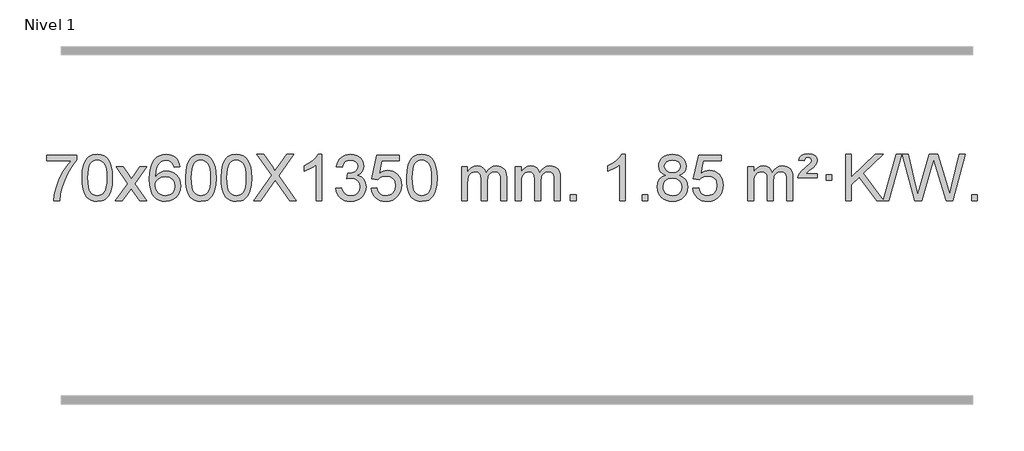
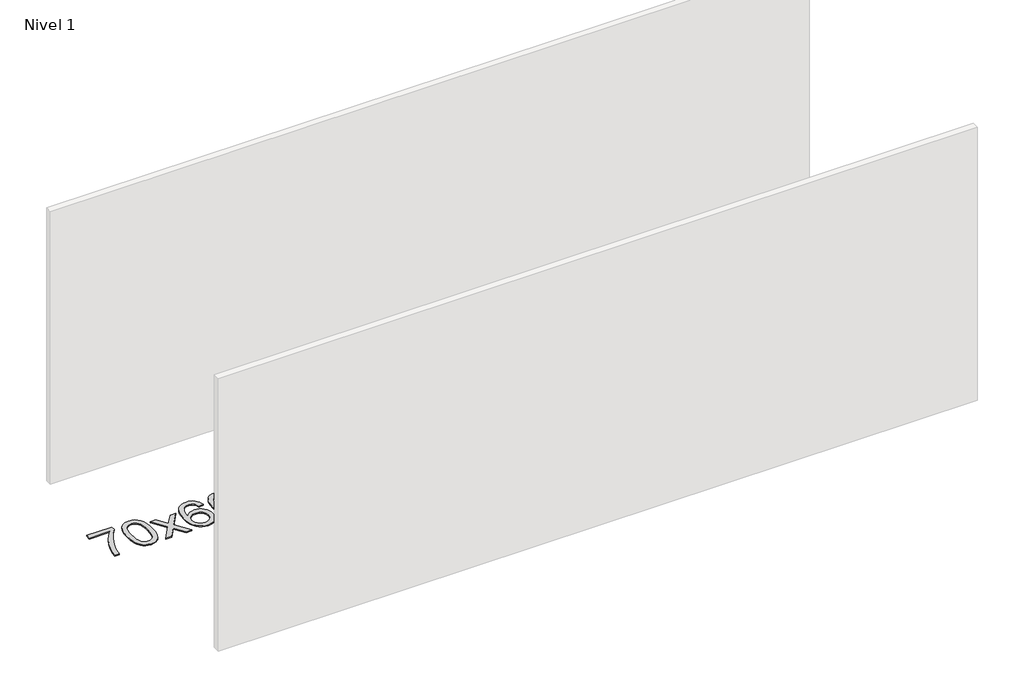
# One storey, part 20 of 25: 1 proxy.
"""IFC4 building model written with IfcOpenShell, lengths in millimetres."""

from ifc_helpers import new_model, si_unit, origin, origin_with_axes, place, context, project, spatial, polyline, outline, extrude, element, save

model = new_model("IFC4")

# Units and contexts
model_context = context("Model", 3, world=origin())
ifc_project = project(units=[si_unit("LENGTHUNIT", "METRE", prefix="MILLI")], contexts=[model_context])

# Site, building, storey
site = spatial("IfcSite", under=ifc_project)
building = spatial("IfcBuilding", under=site)
storey = spatial("IfcBuildingStorey", under=building, Name="Nivel 1", Elevation=0.0)

# Proxy
placement = place(None, origin())
element("IfcBuildingElementProxy", 1, Name="Texto de modelo 1", ObjectType="Texto de modelo 1", at=placement, inside=storey, context=model_context, shape_type="SweptSolid", body=[
    extrude(outline(polyline([(-357.0823308, -9065.2608869), (-357.0823308, -9015.0327318), (-93.3845166, -9015.0327318), (-93.3845166, -9055.646904), (-130.9697938, -9103.214046), (-168.187189, -9163.7061088), (-201.0145257, -9231.6048623), (-225.4296274, -9301.3920768), (-237.398055, -9353.6067947), (-244.0689818, -9410.579453), (-294.2971369, -9410.579453), (-288.8647461, -9358.8061935), (-274.3334073, -9297.2717985), (-251.095528, -9232.0463207), (-219.5435155, -9169.1998132), (-182.706265, -9112.3865704), (-143.6126717, -9065.2608869), (-357.0823308, -9065.2608869)])), origin_with_axes(), (0.0, 0.0, 1.0), 10.0),
    extrude(outline(polyline([(-49.4348809, -9212.9041943), (-45.7437982, -9148.5861588), (-34.6705502, -9097.2911459), (-16.3255014, -9058.2343407), (-4.4674384, -9043.0009605), (9.1809836, -9030.6309284), (24.6657499, -9021.0598651), (42.0328458, -9014.2233914), (82.4140261, -9008.7542124), (113.3651647, -9011.991574), (141.0789416, -9021.7036586), (164.2555073, -9037.5103217), (181.595012, -9059.0314184), (194.6916111, -9086.0830078), (205.1394597, -9118.4811488), (211.9820648, -9159.6226186), (214.2629332, -9212.9041943), (210.6086387, -9276.8543477), (199.6457553, -9328.0267333), (181.411071, -9367.1203266), (169.5805992, -9382.3996922), (155.9413742, -9394.8341036), (140.4382138, -9404.4695462), (123.0159357, -9411.3520052), (82.4140261, -9416.8579724), (54.7493001, -9414.4667394), (30.2238338, -9407.2930405), (8.8376271, -9395.3368757), (-9.4093199, -9378.5982449), (-26.9205028, -9348.3399508), (-39.4284907, -9310.6381776), (-46.9332834, -9265.4929255), (-49.4348809, -9212.9041943)]), holes=[polyline([(0.7932741, -9212.8060924), (2.2648021, -9256.4706195), (6.6793861, -9291.8148822), (14.037026, -9318.8388804), (24.3377218, -9337.5426142), (36.7966587, -9350.2682656), (50.6290218, -9359.3580165), (65.8348109, -9364.8118671), (82.4140261, -9366.6298173), (98.9932414, -9364.8057357), (114.1990305, -9359.3334911), (128.0313935, -9350.2130833), (140.4903304, -9337.4445124), (150.7910263, -9318.7101217), (158.1486662, -9291.6922549), (162.5632502, -9256.3909118), (164.0347781, -9212.8060924), (162.6123011, -9170.2973278), (158.3448699, -9135.5753989), (151.2324847, -9108.6403055), (141.2751454, -9089.4920476), (129.0246749, -9076.1440625), (115.0328964, -9066.6097875), (99.2998097, -9060.8892225), (81.825415, -9058.9823675), (65.3320388, -9060.6623619), (50.3837671, -9065.7023452), (36.9805997, -9074.1023175), (25.1225368, -9085.8622786), (14.4784844, -9106.708925), (6.8755898, -9134.8151094), (2.3138531, -9170.1808319), (0.7932741, -9212.8060924)])]), origin_with_axes(), (0.0, 0.0, 1.0), 10.0),
    extrude(outline(polyline([(239.3770108, -9410.579453), (346.7004515, -9262.1513307), (245.6555301, -9115.4890419), (305.8900755, -9115.4890419), (354.6467026, -9186.2204869), (377.5044372, -9219.4770192), (397.321014, -9192.2047007), (452.8466698, -9115.4890419), (513.2774189, -9115.4890419), (407.1312006, -9262.2494325), (509.3533443, -9410.579453), (449.0206971, -9410.579453), (387.4127256, -9321.3067555), (376.229113, -9304.923744), (299.8077598, -9410.579453), (239.3770108, -9410.579453)])), origin_with_axes(), (0.0, 0.0, 1.0), 10.0),
    extrude(outline(polyline([(798.165236, -9115.4890419), (747.9370809, -9121.7675613), (739.843677, -9096.874213), (728.905319, -9079.8780648), (706.1211608, -9064.2062918), (678.5790621, -9058.9823675), (655.2308181, -9062.0235253), (633.2560003, -9071.1469988), (614.3836539, -9090.3627017), (598.9693983, -9116.8134171), (588.5583378, -9154.227016), (584.6955769, -9206.3313693), (604.8432475, -9182.8237098), (628.9885691, -9166.2567573), (655.7826411, -9156.434308), (683.8765628, -9153.1601582), (708.0096217, -9155.398107), (730.2787451, -9162.1119534), (750.6839331, -9173.3016975), (769.2251857, -9188.9673391), (784.6333099, -9208.1769106), (795.6391129, -9229.9984443), (802.2425947, -9254.4319401), (804.4437553, -9281.4773982), (800.2989515, -9317.4439945), (787.8645401, -9350.786366), (768.1705906, -9379.0642287), (742.2471727, -9399.8372987), (711.2715087, -9412.602804), (676.420821, -9416.8579724), (646.4782923, -9414.0375437), (619.4359, -9405.5762579), (595.293644, -9391.4741147), (574.0515245, -9371.7311143), (556.7334796, -9345.5133908), (544.3634475, -9311.9870783), (536.9414282, -9271.1521768), (534.4674218, -9223.0086864), (537.214274, -9169.0342663), (545.4548307, -9122.9693092), (559.1890919, -9084.8138149), (578.4170575, -9054.5677835), (599.2575725, -9034.5243462), (623.4212882, -9020.2076052), (650.9082047, -9011.6175606), (681.7183218, -9008.7542124), (704.8519679, -9010.5261773), (725.7905848, -9015.8420722), (744.5341724, -9024.7018969), (761.0827308, -9037.1056515), (774.9886703, -9052.6364031), (785.8044009, -9070.8772186), (793.5299228, -9091.8280983), (798.165236, -9115.4890419)]), holes=[polyline([(584.6955769, -9280.6925832), (587.6018447, -9302.9494439), (596.3206479, -9324.2007605), (609.8587054, -9342.472233), (627.2227355, -9355.7895612), (648.1797465, -9363.9197533), (672.4967464, -9366.6298173), (705.6429142, -9361.0134855), (719.5580506, -9353.9930708), (731.7012222, -9344.1644901), (741.5512626, -9331.9262824), (748.5870057, -9317.6769865), (754.2156003, -9283.1451299), (748.6605821, -9249.9989621), (741.7168095, -9236.3781312), (731.9955278, -9224.725469), (719.815568, -9215.3904634), (705.4957614, -9208.7226022), (670.4366072, -9203.3883133), (637.3394904, -9208.7226022), (609.6625016, -9224.725469), (598.7394721, -9236.2248471), (590.9373081, -9249.3858254), (586.2560097, -9264.2084042), (584.6955769, -9280.6925832)])]), origin_with_axes(), (0.0, 0.0, 1.0), 10.0),
    extrude(outline(polyline([(848.393391, -9212.9041943), (852.0844737, -9148.5861588), (863.1577218, -9097.2911459), (881.5027706, -9058.2343407), (893.3608336, -9043.0009605), (907.0092556, -9030.6309284), (922.4940219, -9021.0598651), (939.8611178, -9014.2233914), (980.2422981, -9008.7542124), (1011.1934366, -9011.991574), (1038.9072136, -9021.7036586), (1062.0837793, -9037.5103217), (1079.423284, -9059.0314184), (1092.519883, -9086.0830078), (1102.9677317, -9118.4811488), (1109.8103368, -9159.6226186), (1112.0912052, -9212.9041943), (1108.4369107, -9276.8543477), (1097.4740272, -9328.0267333), (1079.239343, -9367.1203266), (1067.4088712, -9382.3996922), (1053.7696462, -9394.8341036), (1038.2664858, -9404.4695462), (1020.8442076, -9411.3520052), (980.2422981, -9416.8579724), (952.5775721, -9414.4667394), (928.0521057, -9407.2930405), (906.6658991, -9395.3368757), (888.4189521, -9378.5982449), (870.9077691, -9348.3399508), (858.3997813, -9310.6381776), (850.8949886, -9265.4929255), (848.393391, -9212.9041943)]), holes=[polyline([(898.6215461, -9212.8060924), (900.0930741, -9256.4706195), (904.507658, -9291.8148822), (911.8652979, -9318.8388804), (922.1659938, -9337.5426142), (934.6249307, -9350.2682656), (948.4572937, -9359.3580165), (963.6630829, -9364.8118671), (980.2422981, -9366.6298173), (996.8215134, -9364.8057357), (1012.0273025, -9359.3334911), (1025.8596655, -9350.2130833), (1038.3186024, -9337.4445124), (1048.6192983, -9318.7101217), (1055.9769382, -9291.6922549), (1060.3915221, -9256.3909118), (1061.8630501, -9212.8060924), (1060.4405731, -9170.2973278), (1056.1731419, -9135.5753989), (1049.0607567, -9108.6403055), (1039.1034173, -9089.4920476), (1026.8529469, -9076.1440625), (1012.8611683, -9066.6097875), (997.1280817, -9060.8892225), (979.6536869, -9058.9823675), (963.1603108, -9060.6623619), (948.2120391, -9065.7023452), (934.8088717, -9074.1023175), (922.9508087, -9085.8622786), (912.3067563, -9106.708925), (904.7038618, -9134.8151094), (900.142125, -9170.1808319), (898.6215461, -9212.8060924)])]), origin_with_axes(), (0.0, 0.0, 1.0), 10.0),
    extrude(outline(polyline([(1156.0408409, -9212.9041943), (1159.7319236, -9148.5861588), (1170.8051716, -9097.2911459), (1189.1502204, -9058.2343407), (1201.0082834, -9043.0009605), (1214.6567054, -9030.6309284), (1230.1414717, -9021.0598651), (1247.5085676, -9014.2233914), (1287.8897479, -9008.7542124), (1318.8408865, -9011.991574), (1346.5546634, -9021.7036586), (1369.7312291, -9037.5103217), (1387.0707338, -9059.0314184), (1400.1673329, -9086.0830078), (1410.6151815, -9118.4811488), (1417.4577866, -9159.6226186), (1419.738655, -9212.9041943), (1416.0843605, -9276.8543477), (1405.1214771, -9328.0267333), (1386.8867928, -9367.1203266), (1375.056321, -9382.3996922), (1361.417096, -9394.8341036), (1345.9139356, -9404.4695462), (1328.4916575, -9411.3520052), (1287.8897479, -9416.8579724), (1260.2250219, -9414.4667394), (1235.6995556, -9407.2930405), (1214.3133489, -9395.3368757), (1196.0664019, -9378.5982449), (1178.555219, -9348.3399508), (1166.0472311, -9310.6381776), (1158.5424384, -9265.4929255), (1156.0408409, -9212.9041943)]), holes=[polyline([(1206.2689959, -9212.8060924), (1207.7405239, -9256.4706195), (1212.1551079, -9291.8148822), (1219.5127478, -9318.8388804), (1229.8134436, -9337.5426142), (1242.2723805, -9350.2682656), (1256.1047436, -9359.3580165), (1271.3105327, -9364.8118671), (1287.8897479, -9366.6298173), (1304.4689632, -9364.8057357), (1319.6747523, -9359.3334911), (1333.5071153, -9350.2130833), (1345.9660522, -9337.4445124), (1356.2667481, -9318.7101217), (1363.624388, -9291.6922549), (1368.038972, -9256.3909118), (1369.5104999, -9212.8060924), (1368.0880229, -9170.2973278), (1363.8205917, -9135.5753989), (1356.7082065, -9108.6403055), (1346.7508672, -9089.4920476), (1334.5003967, -9076.1440625), (1320.5086182, -9066.6097875), (1304.7755315, -9060.8892225), (1287.3011367, -9058.9823675), (1270.8077606, -9060.6623619), (1255.8594889, -9065.7023452), (1242.4563215, -9074.1023175), (1230.5982586, -9085.8622786), (1219.9542062, -9106.708925), (1212.3513116, -9134.8151094), (1207.7895749, -9170.1808319), (1206.2689959, -9212.8060924)])]), origin_with_axes(), (0.0, 0.0, 1.0), 10.0),
    extrude(outline(polyline([(1438.5742132, -9410.579453), (1593.3789567, -9191.6160895), (1463.6882907, -9008.7542124), (1523.8247342, -9008.7542124), (1596.9106239, -9111.761171), (1621.5341921, -9151.884834), (1650.3761405, -9110.8782543), (1722.6772153, -9008.7542124), (1783.8927793, -9008.7542124), (1654.1040114, -9192.3028025), (1809.0068568, -9410.579453), (1748.7723115, -9410.579453), (1645.4710472, -9265.0943866), (1623.9867387, -9234.977114), (1600.5403929, -9268.0374426), (1499.7897772, -9410.579453), (1438.5742132, -9410.579453)])), origin_with_axes(), (0.0, 0.0, 1.0), 10.0),
    extrude(outline(polyline([(2028.7550353, -9410.579453), (1978.5268802, -9410.579453), (1978.5268802, -9097.4382987), (1957.5576065, -9114.3976587), (1930.9474755, -9131.3324932), (1878.0705701, -9156.6918254), (1878.0705701, -9109.2105225), (1917.5197827, -9087.7507395), (1951.69602, -9062.219729), (1978.6372448, -9035.0700378), (1996.3814197, -9008.7542124), (2028.7550353, -9008.7542124), (2028.7550353, -9410.579453)])), origin_with_axes(), (0.0, 0.0, 1.0), 10.0),
    extrude(outline(polyline([(2148.0469036, -9303.8446235), (2198.2750587, -9297.5661041), (2209.519985, -9329.1303793), (2225.9888356, -9350.4430095), (2248.490951, -9362.5831154), (2277.8356715, -9366.6298173), (2312.2694262, -9361.0625364), (2326.5432477, -9354.1034354), (2338.8550318, -9344.3606939), (2355.8511799, -9319.4428201), (2361.5165627, -9289.2274455), (2355.9002309, -9260.5449126), (2339.0512355, -9237.2825078), (2313.5447505, -9221.8682522), (2281.9559498, -9216.730167), (2246.7373802, -9222.2238715), (2252.3291865, -9171.9957164), (2260.3735395, -9172.5843276), (2290.4662867, -9168.979084), (2317.3707232, -9158.1633534), (2328.4439713, -9149.9841103), (2336.3534342, -9139.8673555), (2341.0991119, -9127.8130888), (2342.6810045, -9113.8213102), (2338.0947423, -9092.1285352), (2324.3359557, -9074.5315131), (2303.3421565, -9062.8696539), (2277.0508566, -9058.9823675), (2250.7105057, -9062.9064421), (2229.1771463, -9074.6786659), (2213.4563223, -9094.299039), (2204.5535781, -9121.7675613), (2154.325423, -9115.4890419), (2160.2789799, -9091.5092672), (2169.1142792, -9070.3867093), (2180.8313207, -9052.1213683), (2195.4301046, -9036.713244), (2212.4507782, -9024.4811677), (2231.4334892, -9015.7439703), (2252.3782374, -9010.5016519), (2275.285023, -9008.7542124), (2306.8615609, -9012.2000404), (2335.8629249, -9022.5375245), (2360.3148148, -9038.8469596), (2378.2429307, -9060.2086408), (2389.2426024, -9084.8199463), (2392.9091596, -9110.8782543), (2389.4265434, -9135.1584659), (2378.9786947, -9157.1823347), (2361.7127664, -9175.9443165), (2337.7759112, -9190.4388671), (2369.2175591, -9203.1430586), (2392.5167521, -9224.77452), (2406.9377263, -9254.1560286), (2411.7447177, -9290.1103623), (2409.341222, -9315.5923218), (2402.1307349, -9339.0631931), (2390.1132564, -9360.5229762), (2373.2887865, -9379.971671), (2352.791628, -9396.1094278), (2329.7560837, -9407.636397), (2304.1821537, -9414.5525785), (2276.0698379, -9416.8579724), (2250.6614548, -9414.8898037), (2227.5094146, -9408.9852977), (2206.6137172, -9399.1444543), (2187.9743628, -9385.3672736), (2172.3455094, -9368.4630959), (2160.481315, -9349.2412617), (2152.3817798, -9327.7017708), (2148.0469036, -9303.8446235)])), origin_with_axes(), (0.0, 0.0, 1.0), 10.0),
    extrude(outline(polyline([(2455.6943534, -9303.8446235), (2505.9225085, -9297.5661041), (2515.1440838, -9327.7201649), (2531.2327898, -9349.3148381), (2554.1150499, -9362.3010725), (2583.7172877, -9366.6298173), (2602.8471515, -9365.1245668), (2619.7206723, -9360.6088153), (2634.3378503, -9353.0825628), (2646.6986853, -9342.5458094), (2656.527266, -9329.519721), (2663.5476807, -9314.5254641), (2669.1640125, -9278.6324441), (2663.9033, -9244.8363514), (2657.3274093, -9230.9181493), (2648.1211624, -9218.9865099), (2636.2539023, -9209.4154467), (2621.6949724, -9202.5789729), (2584.5021027, -9197.1097939), (2560.1360519, -9199.2925604), (2540.4053142, -9205.8408599), (2524.6477021, -9215.8717757), (2512.2010279, -9228.5023908), (2461.9728728, -9222.2238715), (2505.9225085, -9015.0327318), (2700.5566094, -9015.0327318), (2700.5566094, -9065.2608869), (2546.5366808, -9065.2608869), (2524.9542704, -9175.919791), (2542.6800512, -9163.2155994), (2560.8350276, -9154.1411769), (2579.4191998, -9148.6965234), (2598.4325676, -9146.8816388), (2622.8967202, -9149.1318504), (2645.3743101, -9155.882485), (2665.8653373, -9167.1335427), (2684.3698016, -9182.8850234), (2699.6920867, -9202.1743027), (2710.6365761, -9224.038756), (2717.2032697, -9248.4783832), (2719.3921676, -9275.4931844), (2717.4239989, -9301.5147042), (2711.5194929, -9325.7213394), (2701.6786495, -9348.1130902), (2687.9014688, -9368.6899565), (2667.0302969, -9389.7634634), (2642.6765088, -9404.8159684), (2614.8401045, -9413.8474714), (2583.521084, -9416.8579724), (2557.6007318, -9414.9235262), (2534.1881085, -9409.1201877), (2513.2832141, -9399.447957), (2494.8860486, -9385.9068338), (2479.579092, -9369.1712688), (2467.9448239, -9349.915712), (2459.9832444, -9328.1401636), (2455.6943534, -9303.8446235)])), origin_with_axes(), (0.0, 0.0, 1.0), 10.0),
    extrude(outline(polyline([(2763.3418033, -9212.9041943), (2767.0328859, -9148.5861588), (2778.106134, -9097.2911459), (2796.4511828, -9058.2343407), (2808.3092458, -9043.0009605), (2821.9576678, -9030.6309284), (2837.4424341, -9021.0598651), (2854.80953, -9014.2233914), (2895.1907103, -9008.7542124), (2926.1418489, -9011.991574), (2953.8556258, -9021.7036586), (2977.0321915, -9037.5103217), (2994.3716962, -9059.0314184), (3007.4682953, -9086.0830078), (3017.9161439, -9118.4811488), (3024.758749, -9159.6226186), (3027.0396174, -9212.9041943), (3023.3853229, -9276.8543477), (3012.4224395, -9328.0267333), (2994.1877552, -9367.1203266), (2982.3572834, -9382.3996922), (2968.7180584, -9394.8341036), (2953.214898, -9404.4695462), (2935.7926199, -9411.3520052), (2895.1907103, -9416.8579724), (2867.5259843, -9414.4667394), (2843.0005179, -9407.2930405), (2821.6143113, -9395.3368757), (2803.3673643, -9378.5982449), (2785.8561814, -9348.3399508), (2773.3481935, -9310.6381776), (2765.8434008, -9265.4929255), (2763.3418033, -9212.9041943)]), holes=[polyline([(2813.5699583, -9212.8060924), (2815.0414863, -9256.4706195), (2819.4560703, -9291.8148822), (2826.8137102, -9318.8388804), (2837.114406, -9337.5426142), (2849.5733429, -9350.2682656), (2863.4057059, -9359.3580165), (2878.6114951, -9364.8118671), (2895.1907103, -9366.6298173), (2911.7699256, -9364.8057357), (2926.9757147, -9359.3334911), (2940.8080777, -9350.2130833), (2953.2670146, -9337.4445124), (2963.5677105, -9318.7101217), (2970.9253504, -9291.6922549), (2975.3399343, -9256.3909118), (2976.8114623, -9212.8060924), (2975.3889853, -9170.2973278), (2971.1215541, -9135.5753989), (2964.0091689, -9108.6403055), (2954.0518296, -9089.4920476), (2941.8013591, -9076.1440625), (2927.8095806, -9066.6097875), (2912.0764939, -9060.8892225), (2894.6020991, -9058.9823675), (2878.108723, -9060.6623619), (2863.1604513, -9065.7023452), (2849.7572839, -9074.1023175), (2837.8992209, -9085.8622786), (2827.2551686, -9106.708925), (2819.652274, -9134.8151094), (2815.0905372, -9170.1808319), (2813.5699583, -9212.8060924)])]), origin_with_axes(), (0.0, 0.0, 1.0), 10.0),
    extrude(outline(polyline([(3240.5092765, -9410.579453), (3240.5092765, -9115.4890419), (3290.7374315, -9115.4890419), (3290.7374315, -9164.0494653), (3305.8451188, -9141.7435537), (3325.2692882, -9124.2691589), (3348.347752, -9112.9751816), (3374.4183227, -9109.2105225), (3402.3528289, -9113.048758), (3424.7445797, -9124.5634645), (3441.4709477, -9142.9943524), (3452.4093057, -9167.5811324), (3470.7175663, -9142.0439906), (3491.6010009, -9123.803175), (3515.0596095, -9112.8586857), (3541.093392, -9109.2105225), (3561.2012087, -9110.7280358), (3578.8503474, -9115.2805755), (3594.0408082, -9122.8681416), (3606.7725909, -9133.4907342), (3616.8372291, -9147.2709806), (3624.0262564, -9164.3315082), (3628.3396728, -9184.6723168), (3629.7774783, -9208.2934066), (3629.7774783, -9410.579453), (3579.5493232, -9410.579453), (3579.5493232, -9229.875817), (3578.3843636, -9204.8230531), (3574.8894846, -9187.9372695), (3568.3411851, -9176.3735121), (3558.0159638, -9167.2868268), (3544.7354237, -9161.4007149), (3529.3211682, -9159.4386776), (3502.1101632, -9164.4663982), (3479.9268789, -9179.54956), (3471.3215059, -9191.1194488), (3465.1748109, -9205.7182326), (3460.2574549, -9244.0024856), (3460.2574549, -9410.579453), (3410.0292998, -9410.579453), (3410.0292998, -9224.2840106), (3407.1230321, -9195.8835206), (3398.4042288, -9175.6254854), (3383.0635496, -9163.4853796), (3360.2916541, -9159.4386776), (3340.9410612, -9162.1364789), (3323.1110471, -9170.2298828), (3308.3957673, -9183.5226856), (3298.389377, -9201.8186835), (3292.6504179, -9227.2025411), (3290.7374315, -9261.7589232), (3290.7374315, -9410.579453), (3240.5092765, -9410.579453)])), origin_with_axes(), (0.0, 0.0, 1.0), 10.0),
    extrude(outline(polyline([(3705.1197109, -9410.579453), (3705.1197109, -9115.4890419), (3755.347866, -9115.4890419), (3755.347866, -9164.0494653), (3770.4555533, -9141.7435537), (3789.8797226, -9124.2691589), (3812.9581864, -9112.9751816), (3839.0287572, -9109.2105225), (3866.9632633, -9113.048758), (3889.3550141, -9124.5634645), (3906.0813821, -9142.9943524), (3917.0197401, -9167.5811324), (3935.3280008, -9142.0439906), (3956.2114354, -9123.803175), (3979.6700439, -9112.8586857), (4005.7038264, -9109.2105225), (4025.8116432, -9110.7280358), (4043.4607819, -9115.2805755), (4058.6512426, -9122.8681416), (4071.3830253, -9133.4907342), (4081.4476636, -9147.2709806), (4088.6366909, -9164.3315082), (4092.9501073, -9184.6723168), (4094.3879127, -9208.2934066), (4094.3879127, -9410.579453), (4044.1597577, -9410.579453), (4044.1597577, -9229.875817), (4042.994798, -9204.8230531), (4039.4999191, -9187.9372695), (4032.9516195, -9176.3735121), (4022.6263982, -9167.2868268), (4009.3458582, -9161.4007149), (3993.9316026, -9159.4386776), (3966.7205977, -9164.4663982), (3944.5373134, -9179.54956), (3935.9319404, -9191.1194488), (3929.7852454, -9205.7182326), (3924.8678894, -9244.0024856), (3924.8678894, -9410.579453), (3874.6397343, -9410.579453), (3874.6397343, -9224.2840106), (3871.7334665, -9195.8835206), (3863.0146632, -9175.6254854), (3847.673984, -9163.4853796), (3824.9020885, -9159.4386776), (3805.5514956, -9162.1364789), (3787.7214816, -9170.2298828), (3773.0062018, -9183.5226856), (3762.9998115, -9201.8186835), (3757.2608524, -9227.2025411), (3755.347866, -9261.7589232), (3755.347866, -9410.579453), (3705.1197109, -9410.579453)])), origin_with_axes(), (0.0, 0.0, 1.0), 10.0),
    extrude(outline(polyline([(4182.2871841, -9410.579453), (4182.2871841, -9360.3512979), (4232.5153392, -9360.3512979), (4232.5153392, -9410.579453), (4182.2871841, -9410.579453)])), origin_with_axes(), (0.0, 0.0, 1.0), 10.0),
    extrude(outline(polyline([(4659.4546573, -9410.579453), (4609.2265023, -9410.579453), (4609.2265023, -9097.4382987), (4588.2572285, -9114.3976587), (4561.6470975, -9131.3324932), (4508.7701921, -9156.6918254), (4508.7701921, -9109.2105225), (4548.2194047, -9087.7507395), (4582.3956421, -9062.219729), (4609.3368669, -9035.0700378), (4627.0810418, -9008.7542124), (4659.4546573, -9008.7542124), (4659.4546573, -9410.579453)])), origin_with_axes(), (0.0, 0.0, 1.0), 10.0),
    extrude(outline(polyline([(4803.8606032, -9410.579453), (4803.8606032, -9360.3512979), (4854.0887582, -9360.3512979), (4854.0887582, -9410.579453), (4803.8606032, -9410.579453)])), origin_with_axes(), (0.0, 0.0, 1.0), 10.0),
    extrude(outline(polyline([(5008.8935018, -9189.2616447), (4982.001328, -9176.0178929), (4963.1289816, -9158.0652515), (4951.9821572, -9135.7716026), (4948.266549, -9109.5048281), (4950.2899, -9089.0199324), (4956.3599529, -9070.2395565), (4966.4767078, -9053.1637006), (4980.6401646, -9037.7923645), (4998.1697417, -9025.088173), (5018.3848573, -9016.0137504), (5041.2855115, -9010.5690969), (5066.8717043, -9008.7542124), (5092.5805244, -9010.6120165), (5115.6528568, -9016.1854287), (5136.0887017, -9025.4744491), (5153.8880589, -9038.4790776), (5168.3090331, -9054.1508506), (5178.6097289, -9071.4413044), (5184.7901464, -9090.3504389), (5186.8502856, -9110.8782543), (5183.1837284, -9136.2989001), (5172.1840567, -9158.2124043), (5153.7286433, -9176.0546811), (5127.6948608, -9189.2616447), (5158.6092111, -9205.1909351), (5181.1113265, -9228.6495436), (5194.8333249, -9258.5092989), (5199.4073244, -9293.6420295), (5197.1387188, -9318.6947933), (5190.3329018, -9341.6628926), (5178.9898737, -9362.5463272), (5163.1096342, -9381.3450971), (5143.5260493, -9396.88198), (5121.0729849, -9407.9797536), (5095.7504409, -9414.6384177), (5067.5584173, -9416.8579724), (5039.3663938, -9414.6292206), (5014.0438498, -9407.9429654), (4991.5907853, -9396.7992066), (4972.0072004, -9381.1979443), (4956.126961, -9362.26735), (4944.7839328, -9341.135595), (4937.9781159, -9317.8026795), (4935.7095102, -9292.2686033), (4940.4674507, -9255.7747094), (4954.7412721, -9225.7555386), (4977.7952105, -9203.2411605), (5008.8935018, -9189.2616447)]), holes=[polyline([(4998.4947041, -9110.9763561), (5002.9460762, -9132.902123), (5016.3001927, -9150.413306), (5038.1646459, -9161.8912243), (5068.1470285, -9165.717197), (5097.4304353, -9161.9157497), (5118.9637948, -9150.5114079), (5132.2075466, -9133.5888361), (5136.6221305, -9113.232699), (5132.0603938, -9092.1040098), (5118.3751836, -9074.629615), (5096.5475185, -9062.8941794), (5067.5584173, -9058.9823675), (5038.3853751, -9062.8083402), (5016.5944983, -9074.2862585), (5003.0196526, -9091.1107284), (4998.4947041, -9110.9763561)]), polyline([(4985.9376653, -9290.5027698), (4988.0345927, -9309.7184726), (4994.3253748, -9328.3210389), (5005.9381831, -9344.5446349), (5024.0011891, -9356.623427), (5045.6326504, -9364.1282197), (5067.9508248, -9366.6298173), (5102.1393249, -9361.3691048), (5116.0330015, -9354.7932141), (5127.7929627, -9345.5869672), (5143.8326177, -9321.6869002), (5149.1791693, -9292.0723996), (5143.6609394, -9261.9551269), (5127.1062496, -9237.5277625), (5115.0274574, -9228.0854579), (5100.8640006, -9221.3409547), (5066.2830931, -9215.9453521), (5032.5728396, -9221.2673783), (5018.8355127, -9227.919911), (5007.1767192, -9237.2334569), (4991.2474288, -9261.1948375), (4985.9376653, -9290.5027698)])]), origin_with_axes(), (0.0, 0.0, 1.0), 10.0),
    extrude(outline(polyline([(5243.3569601, -9303.8446235), (5293.5851152, -9297.5661041), (5302.8066905, -9327.7201649), (5318.8953964, -9349.3148381), (5341.7776565, -9362.3010725), (5371.3798944, -9366.6298173), (5390.5097581, -9365.1245668), (5407.383279, -9360.6088153), (5422.0004569, -9353.0825628), (5434.361292, -9342.5458094), (5444.1898726, -9329.519721), (5451.2102874, -9314.5254641), (5456.8266191, -9278.6324441), (5451.5659066, -9244.8363514), (5444.990016, -9230.9181493), (5435.783769, -9218.9865099), (5423.916509, -9209.4154467), (5409.357579, -9202.5789729), (5372.1647093, -9197.1097939), (5347.7986585, -9199.2925604), (5328.0679208, -9205.8408599), (5312.3103087, -9215.8717757), (5299.8636345, -9228.5023908), (5249.6354795, -9222.2238715), (5293.5851152, -9015.0327318), (5488.2192161, -9015.0327318), (5488.2192161, -9065.2608869), (5334.1992874, -9065.2608869), (5312.616877, -9175.919791), (5330.3426578, -9163.2155994), (5348.4976343, -9154.1411769), (5367.0818064, -9148.6965234), (5386.0951742, -9146.8816388), (5410.5593269, -9149.1318504), (5433.0369168, -9155.882485), (5453.5279439, -9167.1335427), (5472.0324083, -9182.8850234), (5487.3546934, -9202.1743027), (5498.2991827, -9224.038756), (5504.8658764, -9248.4783832), (5507.0547742, -9275.4931844), (5505.0866055, -9301.5147042), (5499.1820995, -9325.7213394), (5489.3412562, -9348.1130902), (5475.5640754, -9368.6899565), (5454.6929036, -9389.7634634), (5430.3391155, -9404.8159684), (5402.5027112, -9413.8474714), (5371.1836907, -9416.8579724), (5345.2633384, -9414.9235262), (5321.8507151, -9409.1201877), (5300.9458207, -9399.447957), (5282.5486553, -9385.9068338), (5267.2416986, -9369.1712688), (5255.6074305, -9349.915712), (5247.645851, -9328.1401636), (5243.3569601, -9303.8446235)])), origin_with_axes(), (0.0, 0.0, 1.0), 10.0),
    extrude(outline(polyline([(5720.5244333, -9410.579453), (5720.5244333, -9115.4890419), (5770.7525884, -9115.4890419), (5770.7525884, -9164.0494653), (5785.8602756, -9141.7435537), (5805.284445, -9124.2691589), (5828.3629088, -9112.9751816), (5854.4334795, -9109.2105225), (5882.3679857, -9113.048758), (5904.7597365, -9124.5634645), (5921.4861045, -9142.9943524), (5932.4244625, -9167.5811324), (5950.7327231, -9142.0439906), (5971.6161577, -9123.803175), (5995.0747663, -9112.8586857), (6021.1085488, -9109.2105225), (6041.2163655, -9110.7280358), (6058.8655043, -9115.2805755), (6074.055965, -9122.8681416), (6086.7877477, -9133.4907342), (6096.8523859, -9147.2709806), (6104.0414133, -9164.3315082), (6108.3548297, -9184.6723168), (6109.7926351, -9208.2934066), (6109.7926351, -9410.579453), (6059.56448, -9410.579453), (6059.56448, -9229.875817), (6058.3995204, -9204.8230531), (6054.9046414, -9187.9372695), (6048.3563419, -9176.3735121), (6038.0311206, -9167.2868268), (6024.7505806, -9161.4007149), (6009.336325, -9159.4386776), (5982.1253201, -9164.4663982), (5959.9420358, -9179.54956), (5951.3366627, -9191.1194488), (5945.1899677, -9205.7182326), (5940.2726117, -9244.0024856), (5940.2726117, -9410.579453), (5890.0444567, -9410.579453), (5890.0444567, -9224.2840106), (5887.1381889, -9195.8835206), (5878.4193856, -9175.6254854), (5863.0787064, -9163.4853796), (5840.3068109, -9159.4386776), (5820.956218, -9162.1364789), (5803.1262039, -9170.2298828), (5788.4109241, -9183.5226856), (5778.4045339, -9201.8186835), (5772.6655747, -9227.2025411), (5770.7525884, -9261.7589232), (5770.7525884, -9410.579453), (5720.5244333, -9410.579453)])), origin_with_axes(), (0.0, 0.0, 1.0), 10.0),
    extrude(outline(polyline([(6153.7422708, -9209.6668327), (6157.5682436, -9193.8479069), (6165.9069021, -9177.9799302), (6187.4157361, -9152.8413272), (6219.3724187, -9125.1030247), (6263.5182582, -9087.726214), (6270.6551689, -9076.1992448), (6273.0341391, -9064.3779701), (6271.1456782, -9052.2869152), (6265.4802955, -9042.5012541), (6256.1115673, -9036.026531), (6243.1130702, -9033.8682899), (6230.6786587, -9035.4869707), (6221.8249654, -9040.343013), (6215.3992932, -9049.8098431), (6210.2489453, -9065.2608869), (6160.0207902, -9058.9823675), (6170.8610463, -9033.7701881), (6187.4893125, -9016.2099542), (6211.2544894, -9005.9092583), (6243.5054776, -9002.475693), (6279.288133, -9006.6082341), (6304.0343286, -9019.0058573), (6318.4553028, -9037.3386434), (6323.2622942, -9059.2766731), (6319.1665413, -9082.1834586), (6306.8792827, -9103.8149199), (6286.3514673, -9123.6314968), (6249.8820989, -9151.6886303), (6224.277512, -9178.2742358), (6323.2622942, -9178.2742358), (6323.2622942, -9209.6668327), (6153.7422708, -9209.6668327)])), origin_with_axes(), (0.0, 0.0, 1.0), 10.0),
    extrude(outline(polyline([(6398.6045268, -9234.7809102), (6398.6045268, -9184.5527552), (6448.8326819, -9184.5527552), (6448.8326819, -9234.7809102), (6398.6045268, -9234.7809102)])), origin_with_axes(), (0.0, 0.0, 1.0), 10.0),
    extrude(outline(polyline([(6839.4743098, -9410.579453), (6685.9448905, -9207.9009991), (6618.3527053, -9272.4520265), (6618.3527053, -9410.579453), (6568.1245502, -9410.579453), (6568.1245502, -9008.7542124), (6618.3527053, -9008.7542124), (6618.3527053, -9205.4484525), (6824.3666226, -9008.7542124), (6894.6075582, -9008.7542124), (6721.5558676, -9173.9577537), (6896.3069011, -9404.5373449), (7007.6209071, -9008.7542124), (7053.1401726, -9008.7542124), (6940.0287218, -9410.579453), (6900.8860775, -9410.579453), (6894.6075582, -9410.579453), (6839.4743098, -9410.579453)])), origin_with_axes(), (0.0, 0.0, 1.0), 10.0),
    extrude(outline(polyline([(7167.4288458, -9410.579453), (7057.8490622, -9008.7542124), (7109.6468471, -9008.7542124), (7173.2168558, -9272.844434), (7192.8372289, -9354.3670841), (7213.8310281, -9282.2622131), (7293.4897428, -9008.7542124), (7368.1452624, -9008.7542124), (7426.0253629, -9207.0180823), (7450.8206094, -9280.5944814), (7469.0920818, -9354.3670841), (7488.1238437, -9275.1988788), (7552.1843618, -9008.7542124), (7604.0802486, -9008.7542124), (7494.5985668, -9410.579453), (7440.8387446, -9410.579453), (7344.4046109, -9100.5775584), (7330.9646554, -9057.3146358), (7315.8569681, -9109.4067263), (7228.0557986, -9410.579453), (7167.4288458, -9410.579453)])), origin_with_axes(), (0.0, 0.0, 1.0), 10.0),
    extrude(outline(polyline([(7660.5869231, -9410.579453), (7660.5869231, -9360.3512979), (7710.8150781, -9360.3512979), (7710.8150781, -9410.579453), (7660.5869231, -9410.579453)])), origin_with_axes(), (0.0, 0.0, 1.0), 10.0),
])

save(model, "model.ifc")
